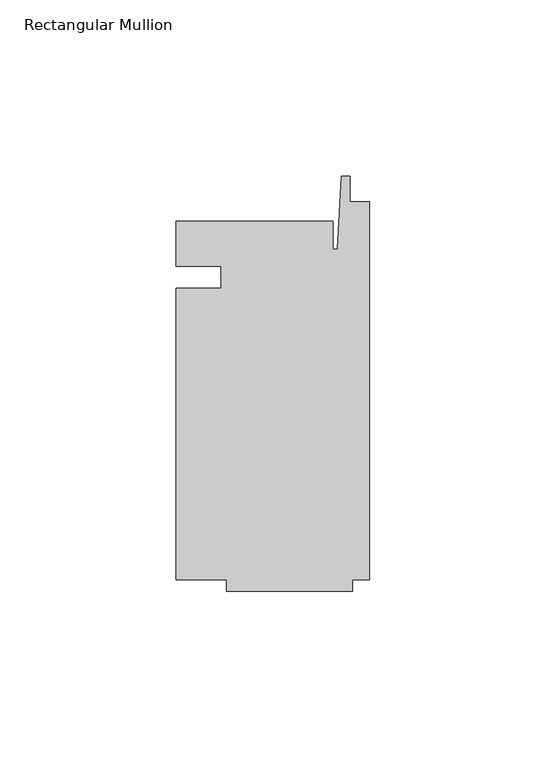
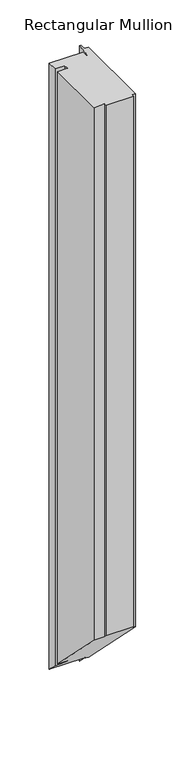
"""IFC4 building model written with IfcOpenShell, lengths in millimetres: member geometry, Rectangular Mullion."""

from ifc_helpers import new_model, si_unit, origin, place, context, project, spatial, faceted_brep, source, transform, mapped, element, save


def rectangular_mullion_6da21001(model_context):
    return source(origin(), model_context, "Body", "Brep", [
        faceted_brep([(-42.06875, -3.175, 0.0), (-54.76875, -3.175, 0.0), (-54.76875, -85.725, 0.0), (-40.48125, -85.725, 0.0), (-40.48125, -88.9, 0.0), (-4.7625, -88.9, 0.0), (-4.7625, -85.725, 0.0), (0.0, -85.725, 0.0), (0.0, 21.43125, 0.0), (-5.55625, 21.43125, 0.0), (-5.55625, 28.575, 0.0), (-7.9375, 28.575, 0.0), (-9.0190655, 7.9375, 0.0), (-10.31875, 7.9375, 0.0), (-10.31875, 15.875, 0.0), (-54.76875, 15.875, 0.0), (-54.76875, 3.175, 0.0), (-42.06875, 3.175, 0.0), (-42.06875, -3.175, -823.3833333), (-54.76875, -3.175, -823.3833333), (-54.76875, -85.725, -740.8333333), (-40.48125, -85.725, -740.8333333), (-40.48125, -88.9, -737.6583333), (-4.7625, -88.9, -737.6583333), (-4.7625, -85.725, -740.8333333), (0.0, -85.725, -740.8333333), (0.0, 21.43125, -847.9895833), (-5.55625, 21.43125, -847.9895833), (-5.55625, 28.575, -855.1333333), (-7.9375, 28.575, -855.1333333), (-9.0190655, 7.9375, -834.4958333), (-10.31875, 7.9375, -834.4958333), (-10.31875, 15.875, -842.4333333), (-54.76875, 15.875, -842.4333333), (-54.76875, 3.175, -829.7333333), (-42.06875, 3.175, -829.7333333)], [[[0, 1, 2, 3, 4, 5, 6, 7, 8, 9, 10, 11, 12, 13, 14, 15, 16, 17]], [[1, 0, 18, 19]], [[2, 1, 19, 20]], [[3, 2, 20, 21]], [[4, 3, 21, 22]], [[5, 4, 22, 23]], [[6, 5, 23, 24]], [[7, 6, 24, 25]], [[8, 7, 25, 26]], [[9, 8, 26, 27]], [[10, 9, 27, 28]], [[11, 10, 28, 29]], [[12, 11, 29, 30]], [[13, 12, 30, 31]], [[14, 13, 31, 32]], [[15, 14, 32, 33]], [[16, 15, 33, 34]], [[17, 16, 34, 35]], [[0, 17, 35, 18]], [[18, 35, 34, 33, 32, 31, 30, 29, 28, 27, 26, 25, 24, 23, 22, 21, 20, 19]]]),
    ])


if __name__ == "__main__":
    model = new_model("IFC4")
    model_context = context("Model", 3, world=origin())
    ifc_project = project(units=[si_unit("LENGTHUNIT", "METRE", prefix="MILLI")], contexts=[model_context])
    site = spatial("IfcSite", under=ifc_project)
    building = spatial("IfcBuilding", under=site)
    placement = place(None, origin())
    rectangular_mullion_shape = rectangular_mullion_6da21001(model_context)
    element("IfcMember", 1, ObjectType="Rectangular Mullion", at=placement, inside=building, context=model_context, shape_type="MappedRepresentation", body=[
        mapped(rectangular_mullion_shape, transform((0.0, 0.0, 0.0), x_axis=(1.0, 0.0, 0.0), y_axis=(0.0, 1.0, 0.0), z_axis=(0.0, 0.0, 1.0))),
    ])
    save(model, "model.ifc")
